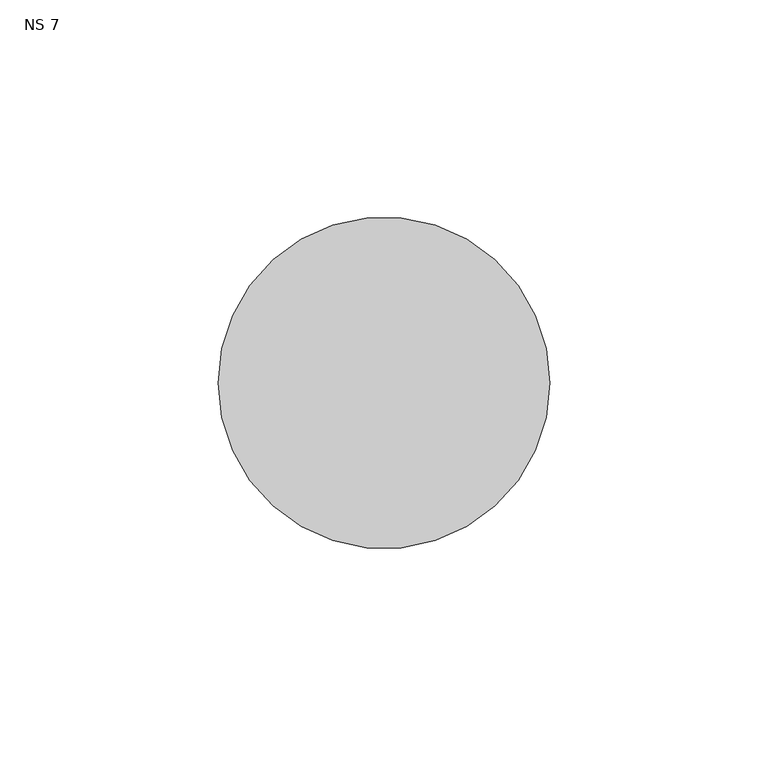
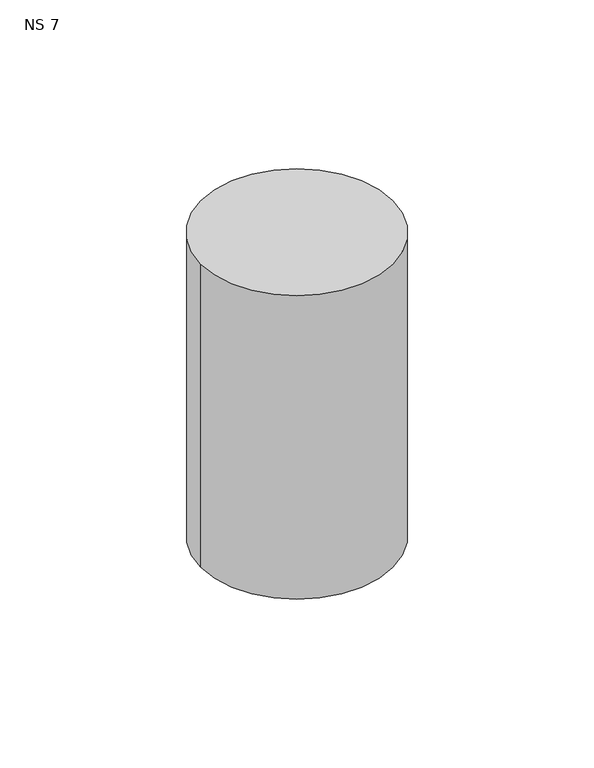
"""IFC4 building model written with IfcOpenShell, lengths in millimetres: unitary equipment geometry, NS 7."""

from ifc_helpers import new_model, si_unit, point, frame, frame_2d, origin, place, context, project, spatial, circle_curve, trimmed, segment, composite_curve, outline, extrude, source, transform, mapped, element, save


def ns_7_bdc29854(model_context):
    return source(origin(), model_context, "Body", "SweptSolid", [
        extrude(outline(composite_curve([segment(trimmed(circle_curve(frame_2d((-765.2, 281.1395574)), 38.0), [point((-803.2, 281.1395574))], [point((-727.2, 281.1395574))], False, "CARTESIAN"), True, "CONTINUOUS"), segment(trimmed(circle_curve(frame_2d((-765.2, 281.1395574)), 38.0), [point((-727.2, 281.1395574))], [point((-803.2, 281.1395574))], False, "CARTESIAN"), True, "CONTINUOUS")], self_intersect=False)), frame((0.0, 0.0, 1510.0), z_axis=(0.0, 0.0, 1.0), x_axis=(1.0, 0.0, 0.0)), (0.0, 0.0, 1.0), 127.0),
    ])


if __name__ == "__main__":
    model = new_model("IFC4")
    model_context = context("Model", 3, world=origin())
    ifc_project = project(units=[si_unit("LENGTHUNIT", "METRE", prefix="MILLI")], contexts=[model_context])
    site = spatial("IfcSite", under=ifc_project)
    building = spatial("IfcBuilding", under=site)
    placement = place(None, origin())
    ns_7_shape = ns_7_bdc29854(model_context)
    element("IfcUnitaryEquipment", 1, ObjectType="NS 7", at=placement, inside=building, context=model_context, shape_type="MappedRepresentation", body=[
        mapped(ns_7_shape, transform((0.0, 0.0, 0.0), x_axis=(1.0, 0.0, 0.0), y_axis=(0.0, 1.0, 0.0), z_axis=(0.0, 0.0, 1.0))),
    ])
    save(model, "model.ifc")
